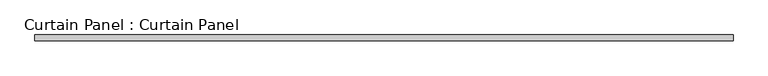
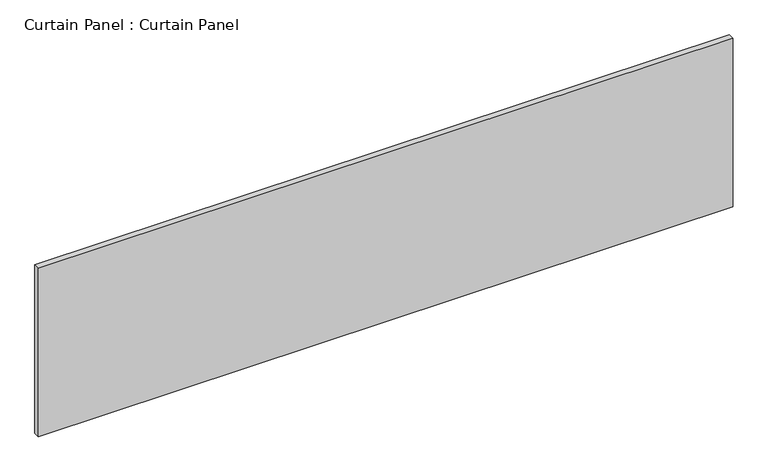
"""IFC4 building model written with IfcOpenShell, lengths in millimetres: plate geometry, Curtain Panel : Curtain Panel."""

from ifc_helpers import new_model, si_unit, frame, origin, place, context, project, spatial, polyline, outline, extrude, source, transform, mapped, element, save


def curtain_panel_curtain_panel_c94adfc3(model_context):
    return source(origin(), model_context, "Body", "SweptSolid", [
        extrude(outline(polyline([(-114608.3555895, -9130.4431787), (-117621.4305895, -9130.4431787), (-117621.4305895, -9105.0431787), (-114608.3555895, -9105.0431787), (-114608.3555895, -9130.4431787)])), frame((0.0, 0.0, 3117.453125), z_axis=(0.0, 0.0, 1.0), x_axis=(1.0, 0.0, 0.0)), (0.0, 0.0, 1.0), 772.2850477),
    ])


if __name__ == "__main__":
    model = new_model("IFC4")
    model_context = context("Model", 3, world=origin())
    ifc_project = project(units=[si_unit("LENGTHUNIT", "METRE", prefix="MILLI")], contexts=[model_context])
    site = spatial("IfcSite", under=ifc_project)
    building = spatial("IfcBuilding", under=site)
    placement = place(None, origin())
    curtain_panel_curtain_panel_shape = curtain_panel_curtain_panel_c94adfc3(model_context)
    element("IfcPlate", 1, ObjectType="Curtain Panel : Curtain Panel", at=placement, inside=building, context=model_context, shape_type="MappedRepresentation", body=[
        mapped(curtain_panel_curtain_panel_shape, transform((0.0, 0.0, 0.0), x_axis=(1.0, 0.0, 0.0), y_axis=(0.0, 1.0, 0.0), z_axis=(0.0, 0.0, 1.0))),
    ])
    save(model, "model.ifc")
